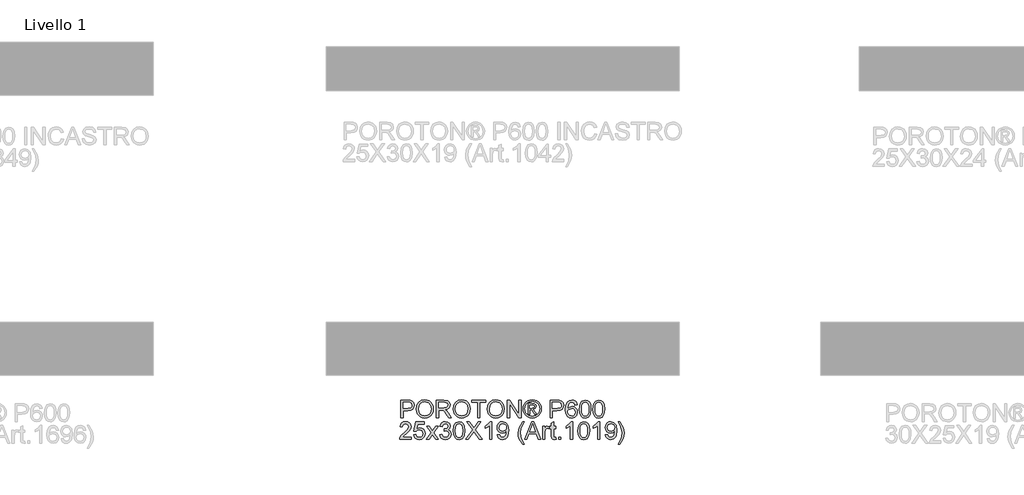
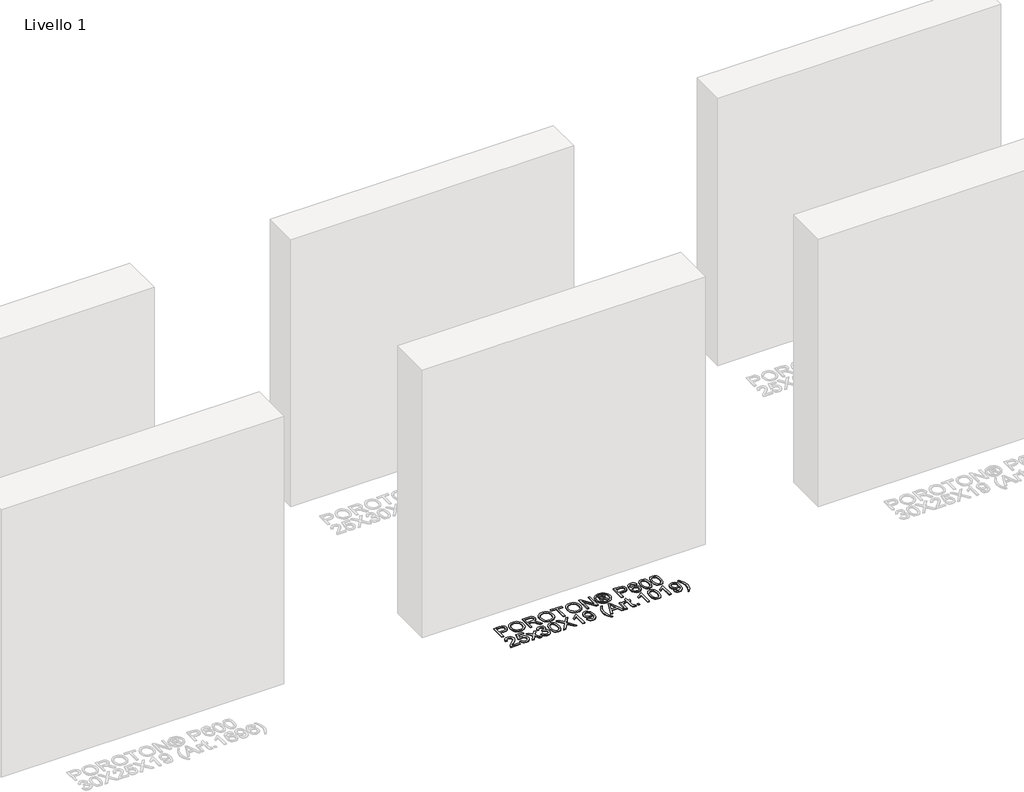
# One storey, part 8 of 11: 1 proxy.
"""IFC4 building model written with IfcOpenShell, lengths in millimetres."""

import ifcopenshell
import ifcopenshell.guid

model = None  # the IFC model being written
_history = None  # IfcOwnerHistory: only IFC2X3 demands one
_inside = {}  # id of a spatial element -> (the spatial element, [elements in it])
_under = {}  # id of a project, library or spatial element -> (it, [spatial elements below it])
_declared = {}  # id of a project -> (the project, [libraries it declares])
_typed = {}  # id of a type object -> (the type object, [elements of that type])
_made_of = {}  # id of a material, layer set ... -> (it, [elements and type objects made of it])


def new_model(schema):
    """Start an empty IFC model of exactly this schema.

    Asked for "IFC4X3", IfcOpenShell would pick the latest addendum, in which some entities
    have other attributes; the version numbers below select the first issue.
    IFC2X3 requires an IfcOwnerHistory on every rooted entity: one is made here for all.
    """
    global model, _history
    if schema == "IFC4X3":
        model = ifcopenshell.file(schema_version=(4, 3, 0, 0))
    else:
        model = ifcopenshell.file(schema=schema)
    _inside.clear()
    _under.clear()
    _declared.clear()
    _typed.clear()
    _made_of.clear()
    _history = None
    if model.schema == "IFC2X3":
        org = make("IfcOrganization", Name="unknown")
        user = make(
            "IfcPersonAndOrganization",
            ThePerson=make("IfcPerson", FamilyName="unknown"),
            TheOrganization=org,
        )
        app = make(
            "IfcApplication",
            ApplicationDeveloper=org,
            Version="unknown",
            ApplicationFullName="unknown",
            ApplicationIdentifier="unknown",
        )
        _history = make(
            "IfcOwnerHistory",
            OwningUser=user,
            OwningApplication=app,
            ChangeAction="ADDED",
            CreationDate=0,
        )
    return model


def make(cls, **values):
    """One entity of the class cls with the attributes given. An attribute that is None is left unset."""
    return model.create_entity(
        cls, **{name: value for name, value in values.items() if value is not None}
    )


def rooted(cls, **values):
    """An entity with a GlobalId (a new one), such as an element, a storey or a relation."""
    return make(cls, GlobalId=ifcopenshell.guid.new(), OwnerHistory=_history, **values)


def si_unit(unit_type, name, prefix=None):
    """IfcSIUnit, for example si_unit("LENGTHUNIT", "METRE", prefix="MILLI")."""
    return make("IfcSIUnit", UnitType=unit_type, Prefix=prefix, Name=name)


def assignment(units):
    """IfcUnitAssignment: the units of a project."""
    return None if units is None else make("IfcUnitAssignment", Units=units)


def point(xyz):
    """IfcCartesianPoint."""
    return None if xyz is None else make("IfcCartesianPoint", Coordinates=xyz)


def direction(xyz):
    """IfcDirection."""
    return None if xyz is None else make("IfcDirection", DirectionRatios=xyz)


def frame(location, z_axis=None, x_axis=None):
    """IfcAxis2Placement3D, a coordinate frame: its origin and axes. An axis left out is left unset."""
    return make(
        "IfcAxis2Placement3D",
        Location=point(location),
        Axis=direction(z_axis),
        RefDirection=direction(x_axis),
    )


def origin():
    """The frame at (0, 0, 0) with its axes left unset."""
    return frame((0.0, 0.0, 0.0))


def origin_with_axes():
    """The frame at (0, 0, 0) with the z axis (0, 0, 1) and the x axis (1, 0, 0) written out."""
    return frame((0.0, 0.0, 0.0), z_axis=(0.0, 0.0, 1.0), x_axis=(1.0, 0.0, 0.0))


def place(relative_to, where):
    """IfcLocalPlacement: puts the frame where relative to a parent placement (None: the world)."""
    return make(
        "IfcLocalPlacement", PlacementRelTo=relative_to, RelativePlacement=where
    )


def context(
    kind, dimensions, precision=None, world=None, true_north=None, identifier=None
):
    """IfcGeometricRepresentationContext, for example the 3D "Model" context."""
    return make(
        "IfcGeometricRepresentationContext",
        ContextIdentifier=identifier,
        ContextType=kind,
        CoordinateSpaceDimension=dimensions,
        Precision=precision,
        WorldCoordinateSystem=world,
        TrueNorth=true_north,
    )


def project(units=None, contexts=None):
    """IfcProject with its units and contexts."""
    return rooted(
        "IfcProject",
        Name="project",
        RepresentationContexts=contexts,
        UnitsInContext=assignment(units),
    )


def spatial(cls, under=None, at=None, **own):
    """A site, building, storey or space (cls), placed at a placement, below another one or the project."""
    s = rooted(cls, ObjectPlacement=at, **own)
    if under is not None:
        _under.setdefault(under.id(), (under, []))[1].append(s)
    return s


def polyline(points):
    """IfcPolyline through the points."""
    return make("IfcPolyline", Points=[point(p) for p in points])


def outline(outer, holes=None, kind="AREA"):
    """IfcArbitraryClosedProfileDef: a profile drawn as a closed curve; with holes, ...WithVoids."""
    if holes is None:
        return make("IfcArbitraryClosedProfileDef", ProfileType=kind, OuterCurve=outer)
    return make(
        "IfcArbitraryProfileDefWithVoids",
        ProfileType=kind,
        OuterCurve=outer,
        InnerCurves=holes,
    )


def extrude(swept, where, along, depth):
    """IfcExtrudedAreaSolid: the profile swept, set in the frame where, extruded along a direction by depth."""
    return make(
        "IfcExtrudedAreaSolid",
        SweptArea=swept,
        Position=where,
        ExtrudedDirection=direction(along),
        Depth=depth,
    )


def shape(context_of_items, identifier, shape_type, items):
    """IfcShapeRepresentation: the items that make up one representation, for example the "Body"."""
    return make(
        "IfcShapeRepresentation",
        ContextOfItems=context_of_items,
        RepresentationIdentifier=identifier,
        RepresentationType=shape_type,
        Items=items,
    )


def made_of(thing, what):
    """Note that an element or type object is made of a material, layer set ...; save() writes the relation."""
    if what is not None:
        _made_of.setdefault(what.id(), (what, []))[1].append(thing)
    return thing


def element(
    cls,
    number,
    at=None,
    inside=None,
    cuts=None,
    type_object=None,
    material=None,
    context=None,
    identifier="Body",
    shape_type=None,
    held_by="IfcProductDefinitionShape",
    body=None,
    shapes=None,
    **own,
):
    """One element of the class cls, such as IfcWall. Its Tag is "e" and its number.

    at: its placement. inside: the storey or other place that contains it. cuts: it is an
    opening in that element (IfcRelVoidsElement). A single representation is given by context,
    identifier, shape_type and body (its items); several are given by shapes. held_by: the class
    of the entity that holds the representations. save() writes the other relations.
    """
    e = rooted(cls, Tag="e%d" % number, ObjectPlacement=at, **own)
    if body is not None:
        shapes = [shape(context, identifier, shape_type, body)]
    if shapes is not None:
        e.Representation = make(held_by, Representations=shapes)
    if inside is not None:
        _inside.setdefault(inside.id(), (inside, []))[1].append(e)
    if cuts is not None:
        rooted(
            "IfcRelVoidsElement", RelatingBuildingElement=cuts, RelatedOpeningElement=e
        )
    if type_object is not None:
        _typed.setdefault(type_object.id(), (type_object, []))[1].append(e)
    return made_of(e, material)


def aggregate(whole, parts):
    """IfcRelAggregates: a whole, such as a stair, and the parts it consists of."""
    return rooted("IfcRelAggregates", RelatingObject=whole, RelatedObjects=parts)


def save(model, path):
    """Write the relations noted so far, then the file.

    IfcRelAggregates (storeys below a building ...), IfcRelContainedInSpatialStructure (elements
    in a storey), IfcRelDefinesByType, IfcRelAssociatesMaterial and IfcRelDeclares: one each for
    every whole, place, type object, material and project.
    """
    for whole, parts in _under.values():
        aggregate(whole, parts)
    for where, things in _inside.values():
        rooted(
            "IfcRelContainedInSpatialStructure",
            RelatedElements=things,
            RelatingStructure=where,
        )
    for kind, things in _typed.values():
        rooted("IfcRelDefinesByType", RelatedObjects=things, RelatingType=kind)
    for what, things in _made_of.values():
        rooted("IfcRelAssociatesMaterial", RelatedObjects=things, RelatingMaterial=what)
    for by, libraries in _declared.values():
        rooted("IfcRelDeclares", RelatingContext=by, RelatedDefinitions=libraries)
    model.write(path)


model = new_model("IFC4")

# Units and contexts
model_context = context("Model", 3, world=origin())
ifc_project = project(units=[si_unit("LENGTHUNIT", "METRE", prefix="MILLI")], contexts=[model_context])

# Site, building, storey
site = spatial("IfcSite", under=ifc_project)
building = spatial("IfcBuilding", under=site)
storey = spatial("IfcBuildingStorey", under=building, Name="Livello 1", Elevation=0.0)

# Proxy
placement = place(None, origin())
element("IfcBuildingElementProxy", 1, Name="100", ObjectType="100", at=placement, inside=storey, context=model_context, shape_type="SweptSolid", body=[
    extrude(outline(polyline([(1118.6216558, 897.8313318), (1118.6216558, 998.2876419), (1155.8513137, 998.2876419), (1170.8608991, 997.3311487), (1183.0623186, 992.6345219), (1190.9717815, 982.9224373), (1193.9638884, 969.2249643), (1191.9436031, 957.3852954), (1185.8827473, 947.5199266), (1174.5489161, 940.8612625), (1156.709705, 938.6417078), (1131.1786946, 938.6417078), (1131.1786946, 897.8313318), (1118.6216558, 897.8313318)]), holes=[polyline([(1131.1786946, 951.1987465), (1157.445469, 951.1987465), (1175.9376707, 955.8095342), (1180.0395549, 961.358421), (1181.4068497, 968.7835059), (1178.1817508, 979.1823036), (1169.7082022, 984.8722118), (1157.1511634, 985.7306032), (1131.1786946, 985.7306032), (1131.1786946, 951.1987465)])]), origin_with_axes(), (0.0, 0.0, 1.0), 5.0),
    extrude(outline(polyline([(1206.5209272, 946.7351117), (1209.8686533, 968.9490528), (1219.9118318, 985.7551286), (1235.2463796, 996.331736), (1254.4682139, 999.8572718), (1267.6445207, 998.2018028), (1279.4596641, 993.2353959), (1289.2698506, 985.3075389), (1296.4312868, 974.7677197), (1300.8090826, 962.1248418), (1302.2683478, 947.8878086), (1300.7324405, 933.460703), (1296.1247185, 920.6400155), (1288.6996335, 910.0818022), (1278.7116374, 902.4421194), (1266.9976615, 897.8068063), (1254.3946375, 896.2617019), (1241.0159956, 897.9692875), (1229.1334072, 903.0920443), (1219.3477461, 911.1670541), (1212.2598863, 921.7313987), (1206.5209272, 946.7351117)]), holes=[polyline([(1219.077966, 946.6124843), (1221.5887606, 930.8977918), (1229.1211444, 918.9232328), (1240.4427128, 911.3448637), (1254.3210611, 908.8187407), (1268.4017445, 911.3693892), (1279.741707, 919.0213347), (1287.2189085, 931.3637756), (1289.711309, 947.9859105), (1285.4438779, 968.7099295), (1272.9726783, 982.4319279), (1254.5417903, 987.300233), (1241.0343897, 984.9549853), (1229.5503401, 977.9192421), (1221.6960595, 965.4020572), (1219.077966, 946.6124843)])]), origin_with_axes(), (0.0, 0.0, 1.0), 5.0),
    extrude(outline(polyline([(1319.5342761, 897.8313318), (1319.5342761, 998.2876419), (1362.8217242, 998.2876419), (1382.9203439, 995.5775779), (1393.9077528, 985.9881206), (1398.0157684, 970.7945942), (1396.3143142, 960.8985685), (1391.2099515, 952.6948), (1382.5493962, 946.6799294), (1370.1793641, 943.3505973), (1377.3162748, 937.9795202), (1387.4943434, 925.0545994), (1404.2452369, 897.8313318), (1389.6525844, 897.8313318), (1376.5805108, 918.6534527), (1367.1382063, 932.4367648), (1360.5040676, 938.9482761), (1354.5321166, 941.3395091), (1347.2480531, 941.7809675), (1332.0913149, 941.7809675), (1332.0913149, 897.8313318), (1319.5342761, 897.8313318)]), holes=[polyline([(1332.0913149, 954.3380062), (1360.1974993, 954.3380062), (1374.5326344, 956.1161025), (1382.6750892, 961.8060107), (1385.4587296, 970.3286103), (1380.1489662, 981.3895956), (1363.3612845, 985.7306032), (1332.0913149, 985.7306032), (1332.0913149, 954.3380062)])]), origin_with_axes(), (0.0, 0.0, 1.0), 5.0),
    extrude(outline(polyline([(1415.2816967, 946.7351117), (1418.6294229, 968.9490528), (1428.6726013, 985.7551286), (1444.0071492, 996.331736), (1463.2289834, 999.8572718), (1476.4052902, 998.2018028), (1488.2204336, 993.2353959), (1498.0306202, 985.3075389), (1505.1920563, 974.7677197), (1509.5698521, 962.1248418), (1511.0291173, 947.8878086), (1509.49321, 933.460703), (1504.885488, 920.6400155), (1497.4604031, 910.0818022), (1487.4724069, 902.4421194), (1475.758431, 897.8068063), (1463.155407, 896.2617019), (1449.7767651, 897.9692875), (1437.8941767, 903.0920443), (1428.1085156, 911.1670541), (1421.0206558, 921.7313987), (1415.2816967, 946.7351117)]), holes=[polyline([(1427.8387355, 946.6124843), (1430.3495301, 930.8977918), (1437.881914, 918.9232328), (1449.2034824, 911.3448637), (1463.0818306, 908.8187407), (1477.162514, 911.3693892), (1488.5024765, 919.0213347), (1495.979678, 931.3637756), (1498.4720786, 947.9859105), (1494.2046474, 968.7099295), (1481.7334478, 982.4319279), (1463.3025598, 987.300233), (1449.7951592, 984.9549853), (1438.3111096, 977.9192421), (1430.456829, 965.4020572), (1427.8387355, 946.6124843)])]), origin_with_axes(), (0.0, 0.0, 1.0), 5.0),
    extrude(outline(polyline([(1553.4091232, 897.8313318), (1553.4091232, 985.7306032), (1520.4468964, 985.7306032), (1520.4468964, 998.2876419), (1598.9283887, 998.2876419), (1598.9283887, 985.7306032), (1565.9661619, 985.7306032), (1565.9661619, 897.8313318), (1553.4091232, 897.8313318)])), origin_with_axes(), (0.0, 0.0, 1.0), 5.0),
    extrude(outline(polyline([(1608.3461678, 946.7351117), (1611.6938939, 968.9490528), (1621.7370724, 985.7551286), (1637.0716202, 996.331736), (1656.2934545, 999.8572718), (1669.4697613, 998.2018028), (1681.2849047, 993.2353959), (1691.0950912, 985.3075389), (1698.2565274, 974.7677197), (1702.6343232, 962.1248418), (1704.0935884, 947.8878086), (1702.5576811, 933.460703), (1697.9499591, 920.6400155), (1690.5248741, 910.0818022), (1680.536878, 902.4421194), (1668.8229021, 897.8068063), (1656.2198781, 896.2617019), (1642.8412362, 897.9692875), (1630.9586478, 903.0920443), (1621.1729867, 911.1670541), (1614.0851269, 921.7313987), (1608.3461678, 946.7351117)]), holes=[polyline([(1620.9032066, 946.6124843), (1623.4140012, 930.8977918), (1630.946385, 918.9232328), (1642.2679534, 911.3448637), (1656.1463017, 908.8187407), (1670.2269851, 911.3693892), (1681.5669476, 919.0213347), (1689.0441491, 931.3637756), (1691.5365496, 947.9859105), (1687.2691185, 968.7099295), (1674.7979189, 982.4319279), (1656.3670309, 987.300233), (1642.8596303, 984.9549853), (1631.3755807, 977.9192421), (1623.5213001, 965.4020572), (1620.9032066, 946.6124843)])]), origin_with_axes(), (0.0, 0.0, 1.0), 5.0),
    extrude(outline(polyline([(1721.3595167, 897.8313318), (1721.3595167, 998.2876419), (1734.7994723, 998.2876419), (1787.2839702, 918.7025036), (1787.2839702, 998.2876419), (1799.841009, 998.2876419), (1799.841009, 897.8313318), (1786.4010535, 897.8313318), (1733.9165555, 977.4409955), (1733.9165555, 897.8313318), (1721.3595167, 897.8313318)])), origin_with_axes(), (0.0, 0.0, 1.0), 5.0),
    extrude(outline(polyline([(1862.6507283, 999.8572718), (1875.5449923, 998.1834087), (1888.1326879, 993.1618195), (1899.1906075, 985.025496), (1907.4955435, 974.0074302), (1912.6918767, 961.2848446), (1914.4239878, 948.0349614), (1912.7164022, 934.9015742), (1907.5936454, 922.2832217), (1899.3898769, 911.3050099), (1888.4392562, 903.0920443), (1875.8301008, 897.9692875), (1862.6507283, 896.2617019), (1849.4897499, 897.9692875), (1836.8867259, 903.0920443), (1825.9269082, 911.3050099), (1817.6955485, 922.2832217), (1812.5452006, 934.9015742), (1810.8284179, 948.0349614), (1812.569726, 961.2848446), (1817.7936504, 974.0074302), (1826.1261776, 985.025496), (1837.1932943, 993.1618195), (1849.7748585, 998.1834087), (1862.6507283, 999.8572718)]), holes=[polyline([(1862.6507283, 990.4394927), (1841.8286074, 984.958051), (1832.8001701, 978.2963212), (1825.9728934, 969.2740152), (1820.246197, 948.0349614), (1825.8625288, 926.9798485), (1841.5833527, 911.2958128), (1862.6507283, 905.679481), (1883.7303666, 911.2958128), (1899.4144024, 926.9798485), (1905.0062087, 948.0349614), (1899.3163005, 969.2740152), (1892.5074179, 978.2963212), (1883.4605865, 984.958051), (1862.6507283, 990.4394927)])]), origin_with_axes(), (0.0, 0.0, 1.0), 5.0),
    extrude(outline(polyline([(1839.0817552, 916.6668899), (1839.0817552, 979.4520838), (1859.3643158, 979.4520838), (1874.4229522, 977.7230384), (1881.8419057, 971.6897737), (1884.6010207, 962.529512), (1879.8430802, 950.6101354), (1867.2369905, 944.9202272), (1872.1420838, 941.5847637), (1880.7014716, 929.0522504), (1887.7402804, 916.6668899), (1877.1452789, 916.6668899), (1871.627049, 926.6242293), (1862.3809482, 941.0452035), (1854.3611207, 943.3505973), (1848.4995342, 943.3505973), (1848.4995342, 916.6668899), (1839.0817552, 916.6668899)]), holes=[polyline([(1848.4995342, 952.7683764), (1860.4189109, 952.7683764), (1872.0685074, 955.1596094), (1875.1832416, 961.4994424), (1873.6871882, 966.0611791), (1869.5301216, 969.053286), (1859.6586214, 970.0343047), (1848.4995342, 970.0343047), (1848.4995342, 952.7683764)])]), origin_with_axes(), (0.0, 0.0, 1.0), 5.0),
    extrude(outline(polyline([(1964.6521429, 897.8313318), (1964.6521429, 998.2876419), (2001.8818008, 998.2876419), (2016.8913862, 997.3311487), (2029.0928057, 992.6345219), (2037.0022686, 982.9224373), (2039.9943755, 969.2249643), (2037.9740902, 957.3852954), (2031.9132343, 947.5199266), (2020.5794032, 940.8612625), (2002.7401921, 938.6417078), (1977.2091816, 938.6417078), (1977.2091816, 897.8313318), (1964.6521429, 897.8313318)]), holes=[polyline([(1977.2091816, 951.1987465), (2003.4759561, 951.1987465), (2021.9681577, 955.8095342), (2026.0700419, 961.358421), (2027.4373367, 968.7835059), (2024.2122379, 979.1823036), (2015.7386892, 984.8722118), (2003.1816505, 985.7306032), (1977.2091816, 985.7306032), (1977.2091816, 951.1987465)])]), origin_with_axes(), (0.0, 0.0, 1.0), 5.0),
    extrude(outline(polyline([(2116.9062379, 971.6039345), (2104.3491992, 970.0343047), (2099.5912587, 980.5066788), (2087.0096944, 985.7306032), (2075.678929, 982.6894453), (2067.1072785, 971.2728407), (2063.5388232, 948.8933527), (2074.6120712, 958.9120057), (2088.3340696, 962.1861555), (2099.9346152, 959.9482067), (2109.6712254, 953.2343603), (2116.2747072, 942.976584), (2118.4758678, 930.1068455), (2114.331064, 912.7796035), (2102.9267221, 900.5168703), (2086.4701342, 896.2617019), (2072.2239039, 899.0821306), (2060.8778101, 907.5434164), (2053.4557908, 922.4794255), (2050.9817844, 944.7240234), (2053.7286366, 969.7338677), (2061.9691933, 986.8342491), (2073.220251, 995.4242937), (2087.7945094, 998.2876419), (2098.8125751, 996.515677), (2107.6356116, 991.1997822), (2113.8160292, 982.7568904), (2116.9062379, 971.6039345)]), holes=[polyline([(2063.5388232, 930.3030492), (2066.4450909, 919.4260049), (2074.1706128, 911.5288047), (2085.4891155, 908.8187407), (2093.7756575, 910.2228236), (2100.2902345, 914.4350725), (2104.5116804, 921.0569484), (2105.918829, 929.6899126), (2104.5300745, 937.9764545), (2100.3638109, 944.2948278), (2093.7388693, 948.2955445), (2084.9740807, 949.6291167), (2069.7805543, 944.2948278), (2065.099256, 938.1297387), (2063.5388232, 930.3030492)])]), origin_with_axes(), (0.0, 0.0, 1.0), 5.0),
    extrude(outline(polyline([(2129.4632767, 947.2501465), (2133.1543594, 976.1534085), (2144.1172428, 992.8184629), (2162.4255035, 998.2876419), (2177.0917323, 995.0502804), (2187.2207499, 985.7183404), (2193.1068619, 970.8559078), (2195.3877302, 947.2501465), (2191.7334357, 918.4695117), (2180.8073405, 901.7676691), (2172.5759808, 897.6381937), (2162.4255035, 896.2617019), (2149.3779554, 898.6529349), (2139.469667, 905.8266338), (2131.9648743, 922.8166506), (2129.4632767, 947.2501465)]), holes=[polyline([(2142.0203155, 947.2746719), (2143.4918434, 927.5224745), (2147.9064274, 916.0905415), (2154.4792524, 910.6366909), (2162.4255035, 908.8187407), (2170.3717546, 910.6428223), (2176.9445795, 916.1150669), (2181.3591635, 927.5531313), (2182.8306915, 947.2746719), (2181.4082144, 966.5823453), (2177.1407833, 978.1031831), (2170.580221, 983.8237481), (2162.2783507, 985.7306032), (2154.4179387, 984.0506087), (2148.1026311, 979.0106254), (2143.5408944, 966.7724177), (2142.0203155, 947.2746719)])]), origin_with_axes(), (0.0, 0.0, 1.0), 5.0),
    extrude(outline(polyline([(2206.3751392, 947.2501465), (2210.0662218, 976.1534085), (2221.0291053, 992.8184629), (2239.3373659, 998.2876419), (2254.0035948, 995.0502804), (2264.1326124, 985.7183404), (2270.0187243, 970.8559078), (2272.2995927, 947.2501465), (2268.6452982, 918.4695117), (2257.7192029, 901.7676691), (2249.4878433, 897.6381937), (2239.3373659, 896.2617019), (2226.2898178, 898.6529349), (2216.3815294, 905.8266338), (2208.8767367, 922.8166506), (2206.3751392, 947.2501465)]), holes=[polyline([(2218.9321779, 947.2746719), (2220.4037059, 927.5224745), (2224.8182898, 916.0905415), (2231.3911148, 910.6366909), (2239.3373659, 908.8187407), (2247.283617, 910.6428223), (2253.856442, 916.1150669), (2258.2710259, 927.5531313), (2259.7425539, 947.2746719), (2258.3200769, 966.5823453), (2254.0526457, 978.1031831), (2247.4920835, 983.8237481), (2239.1902131, 985.7306032), (2231.3298012, 984.0506087), (2225.0144936, 979.0106254), (2220.4527568, 966.7724177), (2218.9321779, 947.2746719)])]), origin_with_axes(), (0.0, 0.0, 1.0), 5.0),
    extrude(outline(polyline([(1178.26759, 788.4135527), (1178.26759, 775.8565139), (1112.3431364, 775.8565139), (1113.6920371, 784.5140036), (1121.3194571, 797.8435945), (1137.040281, 812.3994588), (1158.7207933, 833.3196816), (1164.1409213, 847.5444521), (1159.0273616, 859.0591585), (1145.6732452, 863.7557853), (1131.755043, 859.1695231), (1126.469805, 846.489857), (1113.9127663, 848.0594869), (1116.9569898, 860.2057241), (1123.5390118, 869.0778115), (1133.3154758, 874.5040709), (1145.9430253, 876.3128241), (1158.6625453, 874.3017358), (1168.4206152, 868.2684711), (1174.6286239, 859.2553622), (1176.6979601, 848.3047415), (1174.4661427, 836.3976276), (1167.0471891, 824.0858435), (1149.0577595, 806.8812289), (1134.6122599, 794.8024367), (1128.9468771, 788.4135527), (1178.26759, 788.4135527)])), origin_with_axes(), (0.0, 0.0, 1.0), 5.0),
    extrude(outline(polyline([(1190.8246287, 802.5402213), (1203.3816675, 804.1098512), (1209.7092378, 791.1726677), (1222.8303623, 786.8439229), (1231.8312085, 788.3491734), (1238.5757117, 792.8649248), (1242.7879606, 799.8700112), (1244.1920435, 808.8432662), (1238.931331, 823.7547497), (1232.3247835, 827.8566339), (1223.026566, 829.2239287), (1212.0023689, 827.0411622), (1204.9512973, 821.3757795), (1192.3942586, 822.9454093), (1203.3816675, 874.7431942), (1252.0401927, 874.7431942), (1252.0401927, 862.1861555), (1213.5352106, 862.1861555), (1208.1641334, 834.5214294), (1217.1343228, 839.966083), (1226.5337077, 841.7809675), (1238.2660777, 839.5307559), (1248.0057535, 832.7801213), (1254.5632501, 822.4916882), (1256.7490823, 809.6280811), (1254.7809136, 797.0710423), (1248.8764076, 786.3288881), (1237.5701676, 777.2973851), (1222.7813114, 774.2868841), (1210.4480675, 776.2213302), (1200.6225525, 782.0246687), (1193.8872463, 791.0224492), (1190.8246287, 802.5402213)])), origin_with_axes(), (0.0, 0.0, 1.0), 5.0),
    extrude(outline(polyline([(1263.0276017, 775.8565139), (1289.8584618, 812.939019), (1264.5972315, 849.6291167), (1279.7049188, 849.6291167), (1291.8940755, 831.9707809), (1297.5839837, 823.6321224), (1302.5136025, 830.450202), (1316.3950164, 849.6291167), (1331.5027037, 849.6291167), (1304.9661491, 812.939019), (1330.521685, 775.8565139), (1315.4139978, 775.8565139), (1300.0365304, 798.1501628), (1297.2161017, 802.2213903), (1278.1352889, 775.8565139), (1263.0276017, 775.8565139)])), origin_with_axes(), (0.0, 0.0, 1.0), 5.0),
    extrude(outline(polyline([(1338.3698343, 802.5402213), (1350.926873, 804.1098512), (1357.8553173, 790.8906248), (1370.8170262, 786.8439229), (1379.4254649, 788.2357431), (1386.0718663, 792.4112037), (1391.737249, 806.1945158), (1386.1209172, 819.1807502), (1371.8470958, 824.3188354), (1363.0424534, 822.9454093), (1364.440405, 835.5024481), (1366.4514932, 835.3552953), (1380.7007892, 838.9605388), (1385.4464669, 843.5345383), (1387.0283595, 850.0460496), (1382.4420973, 859.8684989), (1370.6208225, 863.7557853), (1358.6523949, 859.8317107), (1352.4965029, 848.0594869), (1339.9394641, 849.6291167), (1343.6366782, 860.9046998), (1350.2156345, 869.3230662), (1359.2164807, 874.5653846), (1370.1793641, 876.3128241), (1385.3238396, 872.8669961), (1395.918841, 863.449217), (1399.5853983, 850.7818136), (1396.102782, 839.2057935), (1385.8020862, 830.8916604), (1399.4872964, 822.3077472), (1404.2942878, 805.9737866), (1401.8907921, 793.7355789), (1394.680305, 783.5084594), (1383.7971293, 776.5922779), (1370.3755678, 774.2868841), (1358.235462, 776.2550528), (1348.3516991, 782.1595588), (1341.4784371, 791.1910618), (1338.3698343, 802.5402213)])), origin_with_axes(), (0.0, 0.0, 1.0), 5.0),
    extrude(outline(polyline([(1415.2816967, 825.2753286), (1418.9727794, 854.1785907), (1429.9356629, 870.8436451), (1448.2439235, 876.3128241), (1462.9101524, 873.0754625), (1473.03917, 863.7435226), (1478.9252819, 848.88109), (1481.2061503, 825.2753286), (1477.5518558, 796.4946939), (1466.6257605, 779.7928513), (1458.3944009, 775.6633759), (1448.2439235, 774.2868841), (1435.1963754, 776.6781171), (1425.288087, 783.851816), (1417.7832943, 800.8418328), (1415.2816967, 825.2753286)]), holes=[polyline([(1427.8387355, 825.2998541), (1429.3102635, 805.5476566), (1433.7248474, 794.1157236), (1440.2976724, 788.661873), (1448.2439235, 786.8439229), (1456.1901746, 788.6680044), (1462.7629996, 794.1402491), (1467.1775835, 805.5783135), (1468.6491115, 825.2998541), (1467.2266344, 844.6075275), (1462.9592033, 856.1283653), (1456.398641, 861.8489303), (1448.0967707, 863.7557853), (1440.2363587, 862.0757909), (1433.9210511, 857.0358075), (1429.3593144, 844.7975998), (1427.8387355, 825.2998541)])]), origin_with_axes(), (0.0, 0.0, 1.0), 5.0),
    extrude(outline(polyline([(1485.9150398, 775.8565139), (1524.6407512, 830.5973548), (1492.1935592, 876.3128241), (1507.2521955, 876.3128241), (1525.5236679, 850.5856099), (1531.67956, 840.5546941), (1538.8900471, 850.7572881), (1556.9653158, 876.3128241), (1572.2446813, 876.3128241), (1539.7974894, 830.450202), (1578.5232007, 775.8565139), (1563.4645644, 775.8565139), (1537.6637738, 812.252306), (1532.2926967, 819.8061496), (1526.3820593, 811.516542), (1501.1944053, 775.8565139), (1485.9150398, 775.8565139)])), origin_with_axes(), (0.0, 0.0, 1.0), 5.0),
    extrude(outline(polyline([(1633.4602453, 775.8565139), (1620.9032066, 775.8565139), (1620.9032066, 854.1418025), (1609.0083554, 845.6682539), (1595.789129, 839.3284208), (1595.789129, 851.1987465), (1614.1954915, 862.9464449), (1625.3668414, 876.3128241), (1633.4602453, 876.3128241), (1633.4602453, 775.8565139)])), origin_with_axes(), (0.0, 0.0, 1.0), 5.0),
    extrude(outline(polyline([(1664.8528422, 800.9705915), (1677.409881, 802.5402213), (1683.0507383, 790.559531), (1693.7438416, 786.8439229), (1703.9096474, 789.2351558), (1710.8013034, 795.6240398), (1714.9093191, 806.5378723), (1716.7242036, 821.1059993), (1716.6506272, 823.558546), (1706.6074487, 814.042665), (1692.8363993, 810.3883705), (1681.3860722, 812.620188), (1671.8548629, 819.3156403), (1665.426125, 829.6592557), (1663.2832124, 842.8355625), (1665.5303583, 856.4471963), (1672.2717958, 867.1157742), (1682.3977477, 874.0135616), (1694.7984367, 876.3128241), (1712.6897644, 871.0643743), (1725.0015485, 856.1038398), (1729.2076659, 827.9976554), (1725.0138112, 797.500238), (1719.7990839, 787.5091761), (1712.5426116, 780.2220469), (1703.5570938, 775.7706748), (1693.1552304, 774.2868841), (1682.4192075, 776.0373892), (1673.8536884, 781.2889047), (1667.8633432, 789.7103367), (1664.8528422, 800.9705915)]), holes=[polyline([(1716.6506272, 843.1298681), (1715.2955952, 851.6402049), (1711.2304991, 858.1885045), (1704.9213229, 862.3639651), (1696.8340504, 863.7557853), (1688.4463409, 862.2566662), (1681.7263631, 857.7593088), (1677.3117792, 850.8768498), (1675.8402512, 842.2224259), (1677.2320714, 834.4631814), (1681.407532, 828.3042237), (1687.9619629, 824.2851129), (1696.4906938, 822.9454093), (1710.9729817, 828.3042237), (1715.2312158, 834.690042), (1716.6506272, 843.1298681)])]), origin_with_axes(), (0.0, 0.0, 1.0), 5.0),
    extrude(outline(polyline([(1807.6891582, 747.6031767), (1789.8591442, 777.0582618), (1784.3960966, 794.238351), (1782.5750807, 812.0315768), (1788.0197342, 842.5657824), (1807.6891582, 876.3128241), (1817.1069373, 876.3128241), (1805.3592389, 856.4226709), (1798.2959046, 837.1456543), (1795.1321195, 811.9580004), (1800.6258239, 779.7683258), (1817.1069373, 747.6031767), (1807.6891582, 747.6031767)])), origin_with_axes(), (0.0, 0.0, 1.0), 5.0),
    extrude(outline(polyline([(1819.5349585, 775.8565139), (1859.634096, 876.3128241), (1870.3271993, 876.3128241), (1910.4263368, 775.8565139), (1897.1580595, 775.8565139), (1885.6556158, 807.2491109), (1844.281154, 807.2491109), (1832.8032358, 775.8565139), (1819.5349585, 775.8565139)]), holes=[polyline([(1848.8919417, 819.8061496), (1881.0693535, 819.8061496), (1872.0194565, 844.5032942), (1864.9806476, 863.7557853), (1858.7266537, 846.6615353), (1848.8919417, 819.8061496)])]), origin_with_axes(), (0.0, 0.0, 1.0), 5.0),
    extrude(outline(polyline([(1922.272137, 775.8565139), (1922.272137, 849.6291167), (1933.2595459, 849.6291167), (1933.2595459, 838.7152842), (1941.0586442, 848.7707254), (1948.9067935, 851.1987465), (1961.5128832, 847.3237229), (1957.3190284, 836.0665338), (1948.4898605, 838.6417078), (1941.389738, 836.1646357), (1936.8647895, 829.2975051), (1934.8291758, 814.6312762), (1934.8291758, 775.8565139), (1922.272137, 775.8565139)])), origin_with_axes(), (0.0, 0.0, 1.0), 5.0),
    extrude(outline(polyline([(1996.0447398, 786.3288881), (1997.6143696, 775.4886319), (1988.221116, 774.2868841), (1977.6996909, 776.3715487), (1972.4512412, 781.8407277), (1970.9306622, 796.0900237), (1970.9306622, 837.0720779), (1961.5128832, 837.0720779), (1961.5128832, 849.6291167), (1970.9306622, 849.6291167), (1970.9306622, 867.5572326), (1983.487701, 874.939398), (1983.487701, 849.6291167), (1996.0447398, 849.6291167), (1996.0447398, 837.0720779), (1983.487701, 837.0720779), (1983.487701, 796.4579057), (1984.1498886, 789.9831825), (1986.2958669, 787.6900514), (1990.5755608, 786.8439229), (1996.0447398, 786.3288881)])), origin_with_axes(), (0.0, 0.0, 1.0), 5.0),
    extrude(outline(polyline([(2011.7410382, 775.8565139), (2011.7410382, 788.4135527), (2024.298077, 788.4135527), (2024.298077, 775.8565139), (2011.7410382, 775.8565139)])), origin_with_axes(), (0.0, 0.0, 1.0), 5.0),
    extrude(outline(polyline([(2091.7921604, 775.8565139), (2079.2351216, 775.8565139), (2079.2351216, 854.1418025), (2067.3402704, 845.6682539), (2054.1210441, 839.3284208), (2054.1210441, 851.1987465), (2072.5274066, 862.9464449), (2083.6987565, 876.3128241), (2091.7921604, 876.3128241), (2091.7921604, 775.8565139)])), origin_with_axes(), (0.0, 0.0, 1.0), 5.0),
    extrude(outline(polyline([(2121.6151275, 825.2753286), (2125.3062101, 854.1785907), (2136.2690936, 870.8436451), (2154.5773542, 876.3128241), (2169.2435831, 873.0754625), (2179.3726007, 863.7435226), (2185.2587126, 848.88109), (2187.539581, 825.2753286), (2183.8852865, 796.4946939), (2172.9591913, 779.7928513), (2164.7278316, 775.6633759), (2154.5773542, 774.2868841), (2141.5298061, 776.6781171), (2131.6215177, 783.851816), (2124.116725, 800.8418328), (2121.6151275, 825.2753286)]), holes=[polyline([(2134.1721662, 825.2998541), (2135.6436942, 805.5476566), (2140.0582782, 794.1157236), (2146.6311031, 788.661873), (2154.5773542, 786.8439229), (2162.5236053, 788.6680044), (2169.0964303, 794.1402491), (2173.5110142, 805.5783135), (2174.9825422, 825.2998541), (2173.5600652, 844.6075275), (2169.292634, 856.1283653), (2162.7320718, 861.8489303), (2154.4302014, 863.7557853), (2146.5697895, 862.0757909), (2140.2544819, 857.0358075), (2135.6927451, 844.7975998), (2134.1721662, 825.2998541)])]), origin_with_axes(), (0.0, 0.0, 1.0), 5.0),
    extrude(outline(polyline([(2245.6158853, 775.8565139), (2233.0588465, 775.8565139), (2233.0588465, 854.1418025), (2221.1639954, 845.6682539), (2207.944769, 839.3284208), (2207.944769, 851.1987465), (2226.3511315, 862.9464449), (2237.5224814, 876.3128241), (2245.6158853, 876.3128241), (2245.6158853, 775.8565139)])), origin_with_axes(), (0.0, 0.0, 1.0), 5.0),
    extrude(outline(polyline([(2277.0084822, 800.9705915), (2289.565521, 802.5402213), (2295.2063783, 790.559531), (2305.8994816, 786.8439229), (2316.0652874, 789.2351558), (2322.9569434, 795.6240398), (2327.064959, 806.5378723), (2328.8798435, 821.1059993), (2328.8062671, 823.558546), (2318.7630887, 814.042665), (2304.9920393, 810.3883705), (2293.5417122, 812.620188), (2284.0105029, 819.3156403), (2277.581765, 829.6592557), (2275.4388524, 842.8355625), (2277.6859982, 856.4471963), (2284.4274358, 867.1157742), (2294.5533877, 874.0135616), (2306.9540766, 876.3128241), (2324.8454043, 871.0643743), (2337.1571884, 856.1038398), (2341.3633059, 827.9976554), (2337.1694512, 797.500238), (2331.9547239, 787.5091761), (2324.6982515, 780.2220469), (2315.7127338, 775.7706748), (2305.3108704, 774.2868841), (2294.5748475, 776.0373892), (2286.0093284, 781.2889047), (2280.0189832, 789.7103367), (2277.0084822, 800.9705915)]), holes=[polyline([(2328.8062671, 843.1298681), (2327.4512351, 851.6402049), (2323.3861391, 858.1885045), (2317.0769629, 862.3639651), (2308.9896903, 863.7557853), (2300.6019808, 862.2566662), (2293.8820031, 857.7593088), (2289.4674191, 850.8768498), (2287.9958911, 842.2224259), (2289.3877114, 834.4631814), (2293.563172, 828.3042237), (2300.1176029, 824.2851129), (2308.6463338, 822.9454093), (2323.1286217, 828.3042237), (2327.3868558, 834.690042), (2328.8062671, 843.1298681)])]), origin_with_axes(), (0.0, 0.0, 1.0), 5.0),
    extrude(outline(polyline([(2358.6292342, 747.6031767), (2349.2114551, 747.6031767), (2365.6925685, 779.7683258), (2371.186273, 811.9580004), (2368.0224878, 836.9249251), (2361.0327299, 856.2264671), (2349.2114551, 876.3128241), (2358.6292342, 876.3128241), (2378.2986582, 842.5657824), (2383.7433118, 812.0315768), (2381.9130988, 794.238351), (2376.4224601, 777.0582618), (2358.6292342, 747.6031767)])), origin_with_axes(), (0.0, 0.0, 1.0), 5.0),
])

save(model, "model.ifc")
